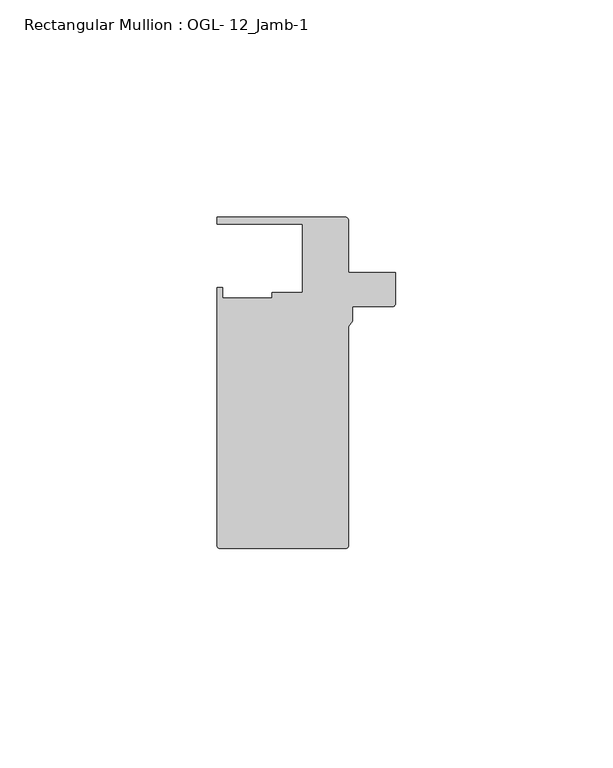
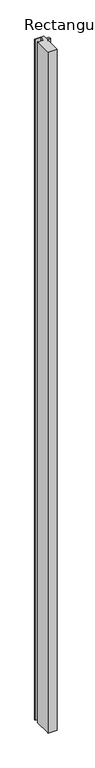
"""IFC4 building model written with IfcOpenShell, lengths in millimetres: member geometry, Rectangular Mullion : OGL- 12_Jamb-1."""

from ifc_helpers import new_model, si_unit, point, frame, frame_2d, origin, place, context, project, spatial, polyline, circle_curve, trimmed, segment, composite_curve, outline, extrude, source, transform, mapped, element, save


def rectangular_mullion_ogl_12_jamb_1_6c711459(model_context):
    return source(origin(), model_context, "Body", "SweptSolid", [
        extrude(outline(composite_curve([segment(polyline([(-1.718668, 25.4), (9.1117669, 25.4), (9.1117669, 18.1560373)]), True, "CONTINUOUS"), segment(trimmed(circle_curve(frame_2d((8.5512549, 18.1560373)), 0.560512), [point((9.1117669, 18.1560373))], [point((8.5512549, 17.5955253))], False, "CARTESIAN"), True, "CONTINUOUS"), segment(polyline([(8.5512549, 17.5955253), (-0.79375, 17.5955253), (-0.79375, 14.2467814), (-1.7185838, 12.9738568), (-1.7185838, -37.5043667)]), True, "CONTINUOUS"), segment(trimmed(circle_curve(frame_2d((-2.3138963, -37.5043667)), 0.5953125), [point((-1.7185838, -37.5043667))], [point((-2.3138963, -38.0996792))], False, "CARTESIAN"), True, "CONTINUOUS"), segment(polyline([(-2.3138963, -38.0996792), (-31.2822481, -38.0996792)]), True, "CONTINUOUS"), segment(trimmed(circle_curve(frame_2d((-31.2822481, -37.5043667)), 0.5953125), [point((-31.2822481, -38.0996792))], [point((-31.8775606, -37.5043667))], False, "CARTESIAN"), True, "CONTINUOUS"), segment(polyline([(-31.8775606, -37.5043667), (-31.8775606, 21.9710976), (-30.6216313, 21.9710976), (-30.6216313, 19.4824275), (-19.2421553, 19.4824275), (-19.2421553, 20.8257348), (-12.2156802, 20.8257348), (-12.2156802, 36.512516), (-31.8684663, 36.512516), (-31.8684663, 38.100016), (-2.3139805, 38.100016)]), True, "CONTINUOUS"), segment(trimmed(circle_curve(frame_2d((-2.3139805, 37.5047035)), 0.5953125), [point((-2.3139805, 38.100016))], [point((-1.718668, 37.5047035))], False, "CARTESIAN"), True, "CONTINUOUS"), segment(polyline([(-1.718668, 37.5047035), (-1.718668, 25.4)]), True, "CONTINUOUS")], self_intersect=False)), frame((0.0, 0.0, -2386.0078176), z_axis=(0.0, 0.0, 1.0), x_axis=(1.0, 0.0, 0.0)), (0.0, 0.0, 1.0), 2386.0078176),
    ])


if __name__ == "__main__":
    model = new_model("IFC4")
    model_context = context("Model", 3, world=origin())
    ifc_project = project(units=[si_unit("LENGTHUNIT", "METRE", prefix="MILLI")], contexts=[model_context])
    site = spatial("IfcSite", under=ifc_project)
    building = spatial("IfcBuilding", under=site)
    placement = place(None, origin())
    rectangular_mullion_ogl_12_jamb_1_shape = rectangular_mullion_ogl_12_jamb_1_6c711459(model_context)
    element("IfcMember", 1, ObjectType="Rectangular Mullion : OGL- 12_Jamb-1", at=placement, inside=building, context=model_context, shape_type="MappedRepresentation", body=[
        mapped(rectangular_mullion_ogl_12_jamb_1_shape, transform((0.0, 0.0, 0.0), x_axis=(1.0, 0.0, 0.0), y_axis=(0.0, 1.0, 0.0), z_axis=(0.0, 0.0, 1.0))),
    ])
    save(model, "model.ifc")
